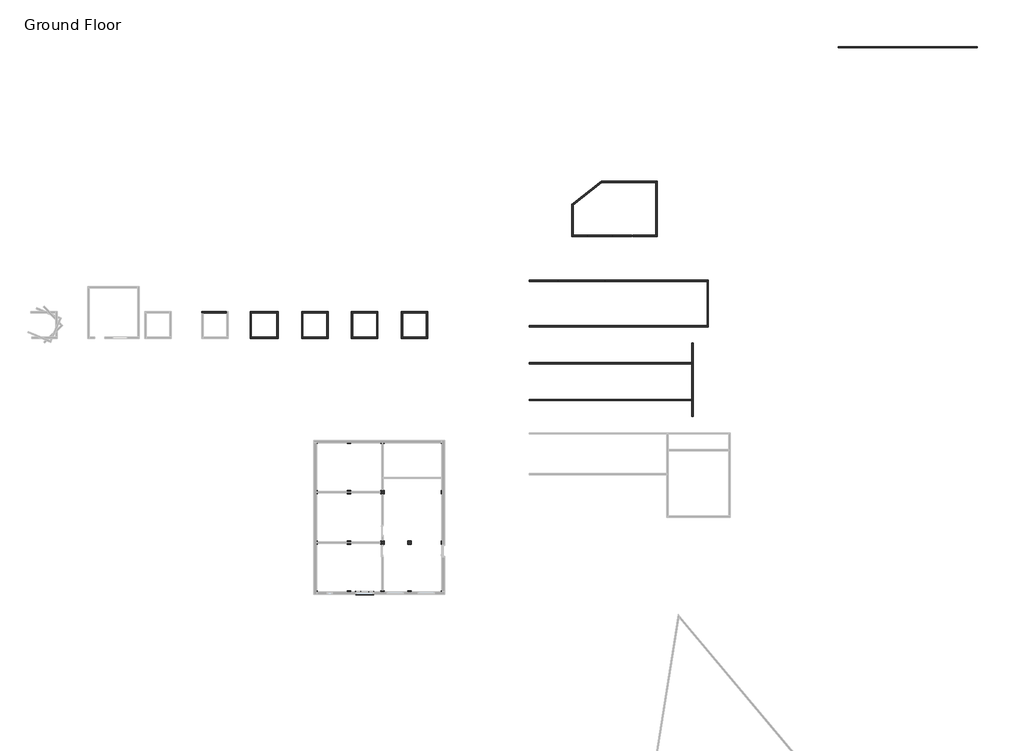
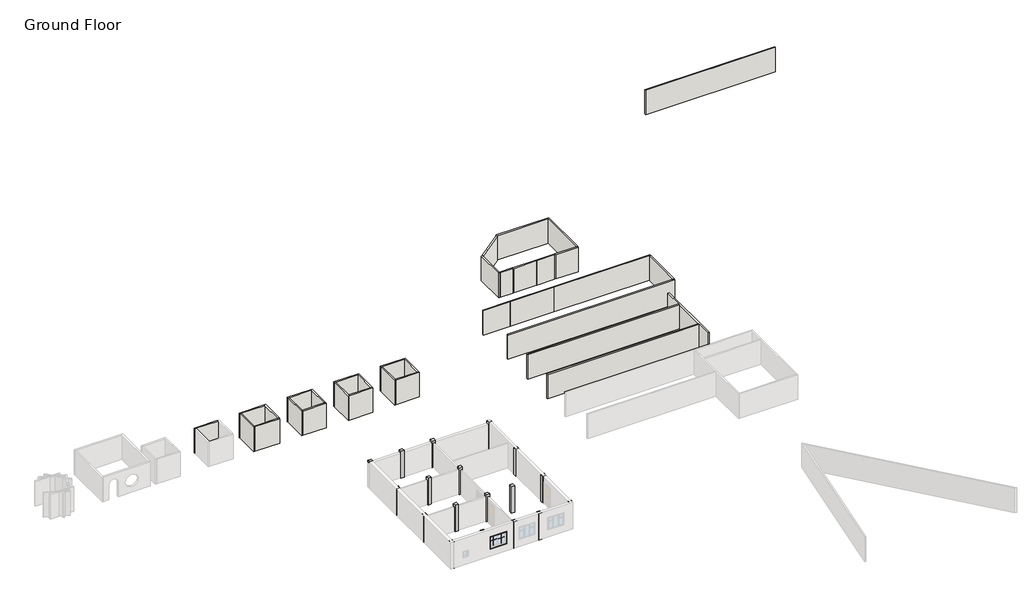
# One storey, part 2 of 2: 34 walls, 18 columns, 4 proxies.
"""IFC4 building model written with IfcOpenShell, lengths in millimetres."""

import ifcopenshell
import ifcopenshell.guid

model = None  # the IFC model being written
_history = None  # IfcOwnerHistory: only IFC2X3 demands one
_inside = {}  # id of a spatial element -> (the spatial element, [elements in it])
_under = {}  # id of a project, library or spatial element -> (it, [spatial elements below it])
_declared = {}  # id of a project -> (the project, [libraries it declares])
_typed = {}  # id of a type object -> (the type object, [elements of that type])
_made_of = {}  # id of a material, layer set ... -> (it, [elements and type objects made of it])


def new_model(schema):
    """Start an empty IFC model of exactly this schema.

    Asked for "IFC4X3", IfcOpenShell would pick the latest addendum, in which some entities
    have other attributes; the version numbers below select the first issue.
    IFC2X3 requires an IfcOwnerHistory on every rooted entity: one is made here for all.
    """
    global model, _history
    if schema == "IFC4X3":
        model = ifcopenshell.file(schema_version=(4, 3, 0, 0))
    else:
        model = ifcopenshell.file(schema=schema)
    _inside.clear()
    _under.clear()
    _declared.clear()
    _typed.clear()
    _made_of.clear()
    _history = None
    if model.schema == "IFC2X3":
        org = make("IfcOrganization", Name="unknown")
        user = make(
            "IfcPersonAndOrganization",
            ThePerson=make("IfcPerson", FamilyName="unknown"),
            TheOrganization=org,
        )
        app = make(
            "IfcApplication",
            ApplicationDeveloper=org,
            Version="unknown",
            ApplicationFullName="unknown",
            ApplicationIdentifier="unknown",
        )
        _history = make(
            "IfcOwnerHistory",
            OwningUser=user,
            OwningApplication=app,
            ChangeAction="ADDED",
            CreationDate=0,
        )
    return model


def make(cls, **values):
    """One entity of the class cls with the attributes given. An attribute that is None is left unset."""
    return model.create_entity(
        cls, **{name: value for name, value in values.items() if value is not None}
    )


def rooted(cls, **values):
    """An entity with a GlobalId (a new one), such as an element, a storey or a relation."""
    return make(cls, GlobalId=ifcopenshell.guid.new(), OwnerHistory=_history, **values)


def si_unit(unit_type, name, prefix=None):
    """IfcSIUnit, for example si_unit("LENGTHUNIT", "METRE", prefix="MILLI")."""
    return make("IfcSIUnit", UnitType=unit_type, Prefix=prefix, Name=name)


def assignment(units):
    """IfcUnitAssignment: the units of a project."""
    return None if units is None else make("IfcUnitAssignment", Units=units)


def point(xyz):
    """IfcCartesianPoint."""
    return None if xyz is None else make("IfcCartesianPoint", Coordinates=xyz)


def direction(xyz):
    """IfcDirection."""
    return None if xyz is None else make("IfcDirection", DirectionRatios=xyz)


def frame(location, z_axis=None, x_axis=None):
    """IfcAxis2Placement3D, a coordinate frame: its origin and axes. An axis left out is left unset."""
    return make(
        "IfcAxis2Placement3D",
        Location=point(location),
        Axis=direction(z_axis),
        RefDirection=direction(x_axis),
    )


def origin():
    """The frame at (0, 0, 0) with its axes left unset."""
    return frame((0.0, 0.0, 0.0))


def origin_with_axes():
    """The frame at (0, 0, 0) with the z axis (0, 0, 1) and the x axis (1, 0, 0) written out."""
    return frame((0.0, 0.0, 0.0), z_axis=(0.0, 0.0, 1.0), x_axis=(1.0, 0.0, 0.0))


def place(relative_to, where):
    """IfcLocalPlacement: puts the frame where relative to a parent placement (None: the world)."""
    return make(
        "IfcLocalPlacement", PlacementRelTo=relative_to, RelativePlacement=where
    )


def context(
    kind, dimensions, precision=None, world=None, true_north=None, identifier=None
):
    """IfcGeometricRepresentationContext, for example the 3D "Model" context."""
    return make(
        "IfcGeometricRepresentationContext",
        ContextIdentifier=identifier,
        ContextType=kind,
        CoordinateSpaceDimension=dimensions,
        Precision=precision,
        WorldCoordinateSystem=world,
        TrueNorth=true_north,
    )


def project(units=None, contexts=None):
    """IfcProject with its units and contexts."""
    return rooted(
        "IfcProject",
        Name="project",
        RepresentationContexts=contexts,
        UnitsInContext=assignment(units),
    )


def spatial(cls, under=None, at=None, **own):
    """A site, building, storey or space (cls), placed at a placement, below another one or the project."""
    s = rooted(cls, ObjectPlacement=at, **own)
    if under is not None:
        _under.setdefault(under.id(), (under, []))[1].append(s)
    return s


def polyline(points):
    """IfcPolyline through the points."""
    return make("IfcPolyline", Points=[point(p) for p in points])


def outline(outer, holes=None, kind="AREA"):
    """IfcArbitraryClosedProfileDef: a profile drawn as a closed curve; with holes, ...WithVoids."""
    if holes is None:
        return make("IfcArbitraryClosedProfileDef", ProfileType=kind, OuterCurve=outer)
    return make(
        "IfcArbitraryProfileDefWithVoids",
        ProfileType=kind,
        OuterCurve=outer,
        InnerCurves=holes,
    )


def extrude(swept, where, along, depth):
    """IfcExtrudedAreaSolid: the profile swept, set in the frame where, extruded along a direction by depth."""
    return make(
        "IfcExtrudedAreaSolid",
        SweptArea=swept,
        Position=where,
        ExtrudedDirection=direction(along),
        Depth=depth,
    )


def faces_of(points, faces, orient=None, outer=None):
    """IfcFace entities. A face is a list of loops; a loop is a list of indices into points, from 0.

    orient and outer hold one flag for each loop. By default every Orientation is true, the
    first loop of a face is its IfcFaceOuterBound and the others are IfcFaceBound.
    """
    made = []
    for i, loops in enumerate(faces):
        bounds = []
        for j, loop in enumerate(loops):
            is_outer = j == 0 if outer is None else outer[i][j]
            bounds.append(
                make(
                    "IfcFaceOuterBound" if is_outer else "IfcFaceBound",
                    Bound=make("IfcPolyLoop", Polygon=[points[k] for k in loop]),
                    Orientation=True if orient is None else orient[i][j],
                )
            )
        made.append(make("IfcFace", Bounds=bounds))
    return made


def faceted_brep(points, faces, orient=None, outer=None, voids=None):
    """IfcFacetedBrep: a solid bounded by flat faces; with voids (closed shells), ...WithVoids."""
    shared = [point(p) for p in points]
    hull = make("IfcClosedShell", CfsFaces=faces_of(shared, faces, orient, outer))
    if voids is None:
        return make("IfcFacetedBrep", Outer=hull)
    return make(
        "IfcFacetedBrepWithVoids",
        Outer=hull,
        Voids=[
            make(cls, CfsFaces=faces_of(shared, fs, o, b)) for cls, fs, o, b in voids
        ],
    )


def shape(context_of_items, identifier, shape_type, items):
    """IfcShapeRepresentation: the items that make up one representation, for example the "Body"."""
    return make(
        "IfcShapeRepresentation",
        ContextOfItems=context_of_items,
        RepresentationIdentifier=identifier,
        RepresentationType=shape_type,
        Items=items,
    )


def source(mapping_origin, context_of_items, identifier, shape_type, items):
    """IfcRepresentationMap: a shape defined once, which mapped items show again and again."""
    return make(
        "IfcRepresentationMap",
        MappingOrigin=mapping_origin,
        MappedRepresentation=shape(context_of_items, identifier, shape_type, items),
    )


def transform(
    local_origin,
    x_axis=None,
    y_axis=None,
    z_axis=None,
    scale=None,
    scale2=None,
    scale3=None,
    uniform=True,
):
    """IfcCartesianTransformationOperator3D, or its non-uniform kind. x_axis, y_axis, z_axis: its Axis1, 2, 3."""
    if uniform:
        return make(
            "IfcCartesianTransformationOperator3D",
            Axis1=direction(x_axis),
            Axis2=direction(y_axis),
            LocalOrigin=point(local_origin),
            Scale=scale,
            Axis3=direction(z_axis),
        )
    return make(
        "IfcCartesianTransformationOperator3DnonUniform",
        Axis1=direction(x_axis),
        Axis2=direction(y_axis),
        LocalOrigin=point(local_origin),
        Scale=scale,
        Axis3=direction(z_axis),
        Scale2=scale2,
        Scale3=scale3,
    )


def mapped(mapping_source, mapping_target):
    """IfcMappedItem: shows the shape of a source again, moved by a transform."""
    return make(
        "IfcMappedItem", MappingSource=mapping_source, MappingTarget=mapping_target
    )


def made_of(thing, what):
    """Note that an element or type object is made of a material, layer set ...; save() writes the relation."""
    if what is not None:
        _made_of.setdefault(what.id(), (what, []))[1].append(thing)
    return thing


def element(
    cls,
    number,
    at=None,
    inside=None,
    cuts=None,
    type_object=None,
    material=None,
    context=None,
    identifier="Body",
    shape_type=None,
    held_by="IfcProductDefinitionShape",
    body=None,
    shapes=None,
    **own,
):
    """One element of the class cls, such as IfcWall. Its Tag is "e" and its number.

    at: its placement. inside: the storey or other place that contains it. cuts: it is an
    opening in that element (IfcRelVoidsElement). A single representation is given by context,
    identifier, shape_type and body (its items); several are given by shapes. held_by: the class
    of the entity that holds the representations. save() writes the other relations.
    """
    e = rooted(cls, Tag="e%d" % number, ObjectPlacement=at, **own)
    if body is not None:
        shapes = [shape(context, identifier, shape_type, body)]
    if shapes is not None:
        e.Representation = make(held_by, Representations=shapes)
    if inside is not None:
        _inside.setdefault(inside.id(), (inside, []))[1].append(e)
    if cuts is not None:
        rooted(
            "IfcRelVoidsElement", RelatingBuildingElement=cuts, RelatedOpeningElement=e
        )
    if type_object is not None:
        _typed.setdefault(type_object.id(), (type_object, []))[1].append(e)
    return made_of(e, material)


def aggregate(whole, parts):
    """IfcRelAggregates: a whole, such as a stair, and the parts it consists of."""
    return rooted("IfcRelAggregates", RelatingObject=whole, RelatedObjects=parts)


def save(model, path):
    """Write the relations noted so far, then the file.

    IfcRelAggregates (storeys below a building ...), IfcRelContainedInSpatialStructure (elements
    in a storey), IfcRelDefinesByType, IfcRelAssociatesMaterial and IfcRelDeclares: one each for
    every whole, place, type object, material and project.
    """
    for whole, parts in _under.values():
        aggregate(whole, parts)
    for where, things in _inside.values():
        rooted(
            "IfcRelContainedInSpatialStructure",
            RelatedElements=things,
            RelatingStructure=where,
        )
    for kind, things in _typed.values():
        rooted("IfcRelDefinesByType", RelatedObjects=things, RelatingType=kind)
    for what, things in _made_of.values():
        rooted("IfcRelAssociatesMaterial", RelatedObjects=things, RelatingMaterial=what)
    for by, libraries in _declared.values():
        rooted("IfcRelDeclares", RelatingContext=by, RelatedDefinitions=libraries)
    model.write(path)


def muntin_pattern_2x2_muntin_pattern_2x2_3179e719(model_context):
    return source(origin(), model_context, "Body", "SweptSolid", [
        extrude(outline(polyline([(542.925, -6.35), (542.925, -338.1375), (530.225, -338.1375), (530.225, -6.35), (0.0, -6.35), (0.0, 6.35), (530.225, 6.35), (530.225, 338.1375), (542.925, 338.1375), (542.925, 6.35), (1073.15, 6.35), (1073.15, -6.35), (542.925, -6.35)])), frame((0.0, 9.525, 0.0), z_axis=(0.0, 1.0, 0.0), x_axis=(0.0, 0.0, 1.0)), (0.0, 0.0, 1.0), 12.7),
        extrude(outline(polyline([(542.925, -6.35), (542.925, -338.1375), (530.225, -338.1375), (530.225, -6.35), (0.0, -6.35), (0.0, 6.35), (530.225, 6.35), (530.225, 338.1375), (542.925, 338.1375), (542.925, 6.35), (1073.15, 6.35), (1073.15, -6.35), (542.925, -6.35)])), frame((0.0, -22.225, 0.0), z_axis=(0.0, 1.0, 0.0), x_axis=(0.0, 0.0, 1.0)), (0.0, 0.0, 1.0), 12.7),
    ])


def trim_window_exterior_flat_with_sill_7631c5ba(model_context):
    return source(origin(), model_context, "Body", "SweptSolid", [
        extrude(outline(polyline([(819.15, -1241.3823709), (819.15, -1298.5323709), (-819.15, -1298.5323709), (-819.15, -1241.3823709), (819.15, -1241.3823709)])), origin_with_axes(), (0.0, 0.0, 1.0), 19.05),
        extrude(outline(polyline([(-1250.95, 38.1), (-1221.6580645, 38.1), (-1219.2, 19.05), (-1219.2, 0.0), (-1241.3823709, 0.0), (-1241.3823709, 19.05), (-1250.95, 19.05), (-1250.95, 38.1)])), frame((-831.85, 0.0, 0.0), z_axis=(1.0, 0.0, 0.0), x_axis=(0.0, 1.0, 0.0)), (0.0, 0.0, 1.0), 1663.7),
        extrude(outline(polyline([(-819.15, 57.15), (819.15, 57.15), (819.15, -1219.2), (762.0, -1219.2), (762.0, 0.0), (-762.0, 0.0), (-762.0, -1219.2), (-819.15, -1219.2), (-819.15, 57.15)])), origin_with_axes(), (0.0, 0.0, 1.0), 19.05),
    ])


def trim_window_interior_flat_picture_frame_0f2e31f9(model_context):
    return source(origin(), model_context, "Body", "SweptSolid", [
        extrude(outline(polyline([(806.45, 44.45), (806.45, -1263.65), (-806.45, -1263.65), (-806.45, 44.45), (806.45, 44.45)]), holes=[polyline([(749.3, -12.7), (-749.3, -12.7), (-749.3, -1206.5), (749.3, -1206.5), (749.3, -12.7)])]), origin_with_axes(), (0.0, 0.0, 1.0), 31.75),
    ])


model = new_model("IFC4")

# Units and contexts
model_context = context("Model", 3, world=origin())
ifc_project = project(units=[si_unit("LENGTHUNIT", "METRE", prefix="MILLI")], contexts=[model_context])

# Site, building, storey
site = spatial("IfcSite", under=ifc_project)
building = spatial("IfcBuilding", under=site)
storey = spatial("IfcBuildingStorey", under=building, Name="Ground Floor", Elevation=0.0)

# Proxies
placement = place(None, origin())
muntin_pattern_2x2_muntin_pattern_2x2_shape = muntin_pattern_2x2_muntin_pattern_2x2_3179e719(model_context)
element("IfcBuildingElementProxy", 1, Name="Muntin Pattern_2x2 : Muntin Pattern_2x2", ObjectType="Muntin Pattern_2x2 : Muntin Pattern_2x2", at=placement, inside=storey, context=model_context, shape_type="MappedRepresentation", body=[
    mapped(muntin_pattern_2x2_muntin_pattern_2x2_shape, transform((7840.5034002, -15143.9864294, 844.55), x_axis=(1.0, 0.0, 0.0), y_axis=(0.0, 1.0, 0.0), z_axis=(0.0, 0.0, 1.0))),
])
element("IfcBuildingElementProxy", 2, Name="Muntin Pattern_2x2 : Muntin Pattern_2x2", ObjectType="Muntin Pattern_2x2 : Muntin Pattern_2x2", at=placement, inside=storey, context=model_context, shape_type="MappedRepresentation", body=[
    mapped(muntin_pattern_2x2_muntin_pattern_2x2_shape, transform((7119.7784002, -15099.5364294, 844.55), x_axis=(1.0, 0.0, 0.0), y_axis=(0.0, 1.0, 0.0), z_axis=(0.0, 0.0, 1.0))),
])
trim_window_exterior_flat_with_sill_shape = trim_window_exterior_flat_with_sill_7631c5ba(model_context)
element("IfcBuildingElementProxy", 3, Name="Trim-Window-Exterior-Flat : with Sill", ObjectType="Trim-Window-Exterior-Flat : with Sill", at=placement, inside=storey, context=model_context, shape_type="MappedRepresentation", body=[
    mapped(trim_window_exterior_flat_with_sill_shape, transform((7480.1409002, -15090.0114294, 1981.2), x_axis=(-1.0, 0.0, 0.0), y_axis=(0.0, 0.0, 1.0), z_axis=(0.0, 1.0, 0.0))),
])
trim_window_interior_flat_picture_frame_shape = trim_window_interior_flat_picture_frame_0f2e31f9(model_context)
element("IfcBuildingElementProxy", 4, Name="Trim-Window-Interior-Flat : Picture Frame", ObjectType="Trim-Window-Interior-Flat : Picture Frame", at=placement, inside=storey, context=model_context, shape_type="MappedRepresentation", body=[
    mapped(trim_window_interior_flat_picture_frame_shape, transform((7480.1409002, -15344.0114294, 1981.2), x_axis=(1.0, 0.0, 0.0), y_axis=(0.0, 0.0, 1.0), z_axis=(0.0, -1.0, 0.0))),
])

# Columns
element("IfcColumn", 5, ObjectType="Concrete-Rectangular-Column", at=placement, inside=storey, context=model_context, shape_type="Brep", body=[
    faceted_brep([(3162.1409002, -15039.2114294, 0.0), (3162.1409002, -15344.0114294, 0.0), (2857.3409002, -15344.0114294, 0.0), (2857.3409002, -15039.2114294, 0.0), (3162.1409002, -15039.2114294, 2743.2), (3162.1409002, -15344.0114294, 2743.2), (3162.1409002, -15344.0114294, 2514.6), (3162.1409002, -15039.2114294, 2514.6), (2857.3409002, -15344.0114294, 2743.2), (2857.3409002, -15039.2114294, 2743.2), (2857.3409002, -15039.2114294, 2514.6)], [[[0, 1, 2, 3]], [[4, 5, 6, 1, 0, 7]], [[5, 8, 2, 1, 6]], [[8, 9, 10, 3, 2]], [[9, 4, 7, 0, 3, 10]], [[4, 9, 8, 5]]]),
])
element("IfcColumn", 6, ObjectType="Concrete-Rectangular-Column", at=placement, inside=storey, context=model_context, shape_type="Brep", body=[
    faceted_brep([(9258.1409002, -15039.2114294, 0.0), (9258.1409002, -15344.0114294, 0.0), (8953.3409002, -15344.0114294, 0.0), (8953.3409002, -15039.2114294, 0.0), (9258.1409002, -15039.2114294, 2743.2), (9258.1409002, -15344.0114294, 2743.2), (9258.1409002, -15344.0114294, 2514.6), (9258.1409002, -15039.2114294, 2514.6), (8953.3409002, -15344.0114294, 2743.2), (8953.3409002, -15344.0114294, 2514.6), (8953.3409002, -15039.2114294, 2743.2), (8953.3409002, -15039.2114294, 2514.6)], [[[0, 1, 2, 3]], [[4, 5, 6, 1, 0, 7]], [[5, 8, 9, 2, 1, 6]], [[8, 10, 11, 3, 2, 9]], [[10, 4, 7, 0, 3, 11]], [[4, 10, 8, 5]]]),
])
element("IfcColumn", 7, ObjectType="Concrete-Rectangular-Column", at=placement, inside=storey, context=model_context, shape_type="Brep", body=[
    faceted_brep([(11696.5409002, -15039.2114294, 0.0), (11696.5409002, -15344.0114294, 0.0), (11391.7409002, -15344.0114294, 0.0), (11391.7409002, -15039.2114294, 0.0), (11696.5409002, -15039.2114294, 2743.2), (11696.5409002, -15344.0114294, 2743.2), (11696.5409002, -15344.0114294, 2514.6), (11696.5409002, -15039.2114294, 2514.6), (11391.7409002, -15344.0114294, 2743.2), (11391.7409002, -15344.0114294, 2514.6), (11391.7409002, -15039.2114294, 2743.2), (11391.7409002, -15039.2114294, 2514.6)], [[[0, 1, 2, 3]], [[4, 5, 6, 1, 0, 7]], [[5, 8, 9, 2, 1, 6]], [[8, 10, 11, 3, 2, 9]], [[10, 4, 7, 0, 3, 11]], [[4, 10, 8, 5]]]),
])
element("IfcColumn", 8, ObjectType="Concrete-Rectangular-Column", at=placement, inside=storey, context=model_context, shape_type="Brep", body=[
    faceted_brep([(14744.5409002, -15039.2114294, 0.0), (14744.5409002, -15344.0114294, 0.0), (14439.7409002, -15344.0114294, 0.0), (14439.7409002, -15039.2114294, 0.0), (14744.5409002, -15039.2114294, 2743.2), (14744.5409002, -15344.0114294, 2743.2), (14744.5409002, -15039.2114294, 2514.6), (14439.7409002, -15344.0114294, 2743.2), (14439.7409002, -15344.0114294, 2514.6), (14439.7409002, -15039.2114294, 2743.2), (14439.7409002, -15039.2114294, 2514.6)], [[[0, 1, 2, 3]], [[4, 5, 1, 0, 6]], [[5, 7, 8, 2, 1]], [[7, 9, 10, 3, 2, 8]], [[9, 4, 6, 0, 3, 10]], [[4, 9, 7, 5]]]),
])
element("IfcColumn", 9, ObjectType="Concrete-Rectangular-Column", at=placement, inside=storey, context=model_context, shape_type="Brep", body=[
    faceted_brep([(6210.1409002, -15039.2114294, 0.0), (6210.1409002, -15344.0114294, 0.0), (5905.3409002, -15344.0114294, 0.0), (5905.3409002, -15039.2114294, 0.0), (6210.1409002, -15039.2114294, 2743.2), (6210.1409002, -15344.0114294, 2743.2), (6210.1409002, -15344.0114294, 2514.6), (6210.1409002, -15039.2114294, 2514.6), (5905.3409002, -15344.0114294, 2743.2), (5905.3409002, -15344.0114294, 2514.6), (5905.3409002, -15039.2114294, 2743.2), (5905.3409002, -15039.2114294, 2514.6)], [[[0, 1, 2, 3]], [[4, 5, 6, 1, 0, 7]], [[5, 8, 9, 2, 1, 6]], [[8, 10, 11, 3, 2, 9]], [[10, 4, 7, 0, 3, 11]], [[4, 10, 8, 5]]]),
])
element("IfcColumn", 10, ObjectType="Concrete-Rectangular-Column", at=placement, inside=storey, context=model_context, shape_type="Brep", body=[
    faceted_brep([(3162.1409002, -10467.2114294, 0.0), (3162.1409002, -10772.0114294, 0.0), (2857.3409002, -10772.0114294, 0.0), (2857.3409002, -10467.2114294, 0.0), (3162.1409002, -10467.2114294, 2743.2), (3162.1409002, -10772.0114294, 2743.2), (3162.1409002, -10772.0114294, 2514.6), (3162.1409002, -10467.2114294, 2514.6), (2857.3409002, -10772.0114294, 2743.2), (2857.3409002, -10772.0114294, 2514.6), (2857.3409002, -10467.2114294, 2743.2), (2857.3409002, -10467.2114294, 2514.6)], [[[0, 1, 2, 3]], [[4, 5, 6, 1, 0, 7]], [[5, 8, 9, 2, 1, 6]], [[8, 10, 11, 3, 2, 9]], [[10, 4, 7, 0, 3, 11]], [[4, 10, 8, 5]]]),
])
element("IfcColumn", 11, ObjectType="Concrete-Rectangular-Column", at=placement, inside=storey, context=model_context, shape_type="Brep", body=[
    faceted_brep([(9258.1409002, -10467.2114294, 0.0), (9258.1409002, -10772.0114294, 0.0), (8953.3409002, -10772.0114294, 0.0), (8953.3409002, -10467.2114294, 0.0), (9258.1409002, -10467.2114294, 2743.2), (9258.1409002, -10772.0114294, 2743.2), (9258.1409002, -10772.0114294, 2514.6), (9258.1409002, -10467.2114294, 2514.6), (8953.3409002, -10772.0114294, 2743.2), (8953.3409002, -10772.0114294, 2514.6), (8953.3409002, -10467.2114294, 2743.2), (8953.3409002, -10467.2114294, 2514.6)], [[[0, 1, 2, 3]], [[4, 5, 6, 1, 0, 7]], [[5, 8, 9, 2, 1, 6]], [[8, 10, 11, 3, 2, 9]], [[10, 4, 7, 0, 3, 11]], [[4, 10, 8, 5]]]),
])
element("IfcColumn", 12, ObjectType="Concrete-Rectangular-Column", at=placement, inside=storey, context=model_context, shape_type="Brep", body=[
    faceted_brep([(11696.5409002, -10467.2114294, 0.0), (11696.5409002, -10772.0114294, 0.0), (11391.7409002, -10772.0114294, 0.0), (11391.7409002, -10467.2114294, 0.0), (11696.5409002, -10467.2114294, 2743.2), (11696.5409002, -10772.0114294, 2743.2), (11696.5409002, -10772.0114294, 2514.6), (11696.5409002, -10467.2114294, 2514.6), (11391.7409002, -10772.0114294, 2743.2), (11391.7409002, -10772.0114294, 2514.6), (11391.7409002, -10467.2114294, 2743.2), (11391.7409002, -10467.2114294, 2514.6)], [[[0, 1, 2, 3]], [[4, 5, 6, 1, 0, 7]], [[5, 8, 9, 2, 1, 6]], [[8, 10, 11, 3, 2, 9]], [[10, 4, 7, 0, 3, 11]], [[4, 10, 8, 5]]]),
])
element("IfcColumn", 13, ObjectType="Concrete-Rectangular-Column", at=placement, inside=storey, context=model_context, shape_type="Brep", body=[
    faceted_brep([(14744.5409002, -10467.2114294, 0.0), (14744.5409002, -10772.0114294, 0.0), (14439.7409002, -10772.0114294, 0.0), (14439.7409002, -10467.2114294, 0.0), (14744.5409002, -10467.2114294, 2743.2), (14744.5409002, -10772.0114294, 2743.2), (14744.5409002, -10772.0114294, 2514.6), (14744.5409002, -10467.2114294, 2514.6), (14439.7409002, -10772.0114294, 2743.2), (14439.7409002, -10772.0114294, 2514.6), (14439.7409002, -10467.2114294, 2743.2), (14439.7409002, -10467.2114294, 2514.6)], [[[0, 1, 2, 3]], [[4, 5, 6, 1, 0, 7]], [[5, 8, 9, 2, 1, 6]], [[8, 10, 11, 3, 2, 9]], [[10, 4, 7, 0, 3, 11]], [[4, 10, 8, 5]]]),
])
element("IfcColumn", 14, ObjectType="Concrete-Rectangular-Column", at=placement, inside=storey, context=model_context, shape_type="Brep", body=[
    faceted_brep([(6210.1409002, -10467.2114294, 0.0), (6210.1409002, -10772.0114294, 0.0), (5905.3409002, -10772.0114294, 0.0), (5905.3409002, -10467.2114294, 0.0), (6210.1409002, -10467.2114294, 2743.2), (6210.1409002, -10772.0114294, 2743.2), (6210.1409002, -10772.0114294, 2514.6), (6210.1409002, -10467.2114294, 2514.6), (5905.3409002, -10772.0114294, 2743.2), (5905.3409002, -10772.0114294, 2514.6), (5905.3409002, -10467.2114294, 2743.2), (5905.3409002, -10467.2114294, 2514.6)], [[[0, 1, 2, 3]], [[4, 5, 6, 1, 0, 7]], [[5, 8, 9, 2, 1, 6]], [[8, 10, 11, 3, 2, 9]], [[10, 4, 7, 0, 3, 11]], [[4, 10, 8, 5]]]),
])
element("IfcColumn", 15, ObjectType="Concrete-Rectangular-Column", at=placement, inside=storey, context=model_context, shape_type="Brep", body=[
    faceted_brep([(3162.1409002, -5895.2114294, 0.0), (3162.1409002, -6200.0114294, 0.0), (2857.3409002, -6200.0114294, 0.0), (2857.3409002, -5895.2114294, 0.0), (3162.1409002, -5895.2114294, 2743.2), (3162.1409002, -6200.0114294, 2743.2), (3162.1409002, -6200.0114294, 2514.6), (3162.1409002, -5895.2114294, 2514.6), (2857.3409002, -6200.0114294, 2743.2), (2857.3409002, -6200.0114294, 2514.6), (2857.3409002, -5895.2114294, 2743.2), (2857.3409002, -5895.2114294, 2514.6)], [[[0, 1, 2, 3]], [[4, 5, 6, 1, 0, 7]], [[5, 8, 9, 2, 1, 6]], [[8, 10, 11, 3, 2, 9]], [[10, 4, 7, 0, 3, 11]], [[4, 10, 8, 5]]]),
])
element("IfcColumn", 16, ObjectType="Concrete-Rectangular-Column", at=placement, inside=storey, context=model_context, shape_type="Brep", body=[
    faceted_brep([(9258.1409002, -5895.2114294, 0.0), (9258.1409002, -6200.0114294, 0.0), (8953.3409002, -6200.0114294, 0.0), (8953.3409002, -5895.2114294, 0.0), (9258.1409002, -5895.2114294, 2743.2), (9258.1409002, -6200.0114294, 2743.2), (9258.1409002, -6200.0114294, 2514.6), (9258.1409002, -5895.2114294, 2514.6), (8953.3409002, -6200.0114294, 2743.2), (8953.3409002, -6200.0114294, 2514.6), (8953.3409002, -5895.2114294, 2743.2), (8953.3409002, -5895.2114294, 2514.6)], [[[0, 1, 2, 3]], [[4, 5, 6, 1, 0, 7]], [[5, 8, 9, 2, 1, 6]], [[8, 10, 11, 3, 2, 9]], [[10, 4, 7, 0, 3, 11]], [[4, 10, 8, 5]]]),
])
element("IfcColumn", 17, ObjectType="Concrete-Rectangular-Column", at=placement, inside=storey, context=model_context, shape_type="Brep", body=[
    faceted_brep([(14744.5409002, -5895.2114294, 0.0), (14744.5409002, -6200.0114294, 0.0), (14439.7409002, -6200.0114294, 0.0), (14439.7409002, -5895.2114294, 0.0), (14744.5409002, -5895.2114294, 2743.2), (14744.5409002, -6200.0114294, 2743.2), (14744.5409002, -6200.0114294, 2514.6), (14744.5409002, -5895.2114294, 2514.6), (14439.7409002, -6200.0114294, 2743.2), (14439.7409002, -6200.0114294, 2514.6), (14439.7409002, -5895.2114294, 2743.2), (14439.7409002, -5895.2114294, 2514.6)], [[[0, 1, 2, 3]], [[4, 5, 6, 1, 0, 7]], [[5, 8, 9, 2, 1, 6]], [[8, 10, 11, 3, 2, 9]], [[10, 4, 7, 0, 3, 11]], [[4, 10, 8, 5]]]),
])
element("IfcColumn", 18, ObjectType="Concrete-Rectangular-Column", at=placement, inside=storey, context=model_context, shape_type="Brep", body=[
    faceted_brep([(6210.1409002, -5895.2114294, 0.0), (6210.1409002, -6200.0114294, 0.0), (5905.3409002, -6200.0114294, 0.0), (5905.3409002, -5895.2114294, 0.0), (6210.1409002, -5895.2114294, 2743.2), (6210.1409002, -6200.0114294, 2743.2), (6210.1409002, -6200.0114294, 2514.6), (6210.1409002, -5895.2114294, 2514.6), (5905.3409002, -6200.0114294, 2743.2), (5905.3409002, -6200.0114294, 2514.6), (5905.3409002, -5895.2114294, 2743.2), (5905.3409002, -5895.2114294, 2514.6)], [[[0, 1, 2, 3]], [[4, 5, 6, 1, 0, 7]], [[5, 8, 9, 2, 1, 6]], [[8, 10, 11, 3, 2, 9]], [[10, 4, 7, 0, 3, 11]], [[4, 10, 8, 5]]]),
])
element("IfcColumn", 19, ObjectType="Concrete-Rectangular-Column", at=placement, inside=storey, context=model_context, shape_type="Brep", body=[
    faceted_brep([(3162.1409002, -1323.2114294, 0.0), (3162.1409002, -1628.0114294, 0.0), (2857.3409002, -1628.0114294, 0.0), (2857.3409002, -1323.2114294, 0.0), (3162.1409002, -1323.2114294, 2743.2), (3162.1409002, -1628.0114294, 2743.2), (3162.1409002, -1628.0114294, 2514.6), (3162.1409002, -1323.2114294, 2514.6), (2857.3409002, -1628.0114294, 2743.2), (2857.3409002, -1628.0114294, 2514.6), (2857.3409002, -1323.2114294, 2743.2)], [[[0, 1, 2, 3]], [[4, 5, 6, 1, 0, 7]], [[5, 8, 9, 2, 1, 6]], [[8, 10, 3, 2, 9]], [[10, 4, 7, 0, 3]], [[4, 10, 8, 5]]]),
])
element("IfcColumn", 20, ObjectType="Concrete-Rectangular-Column", at=placement, inside=storey, context=model_context, shape_type="Brep", body=[
    faceted_brep([(9258.1409002, -1323.2114294, 0.0), (9258.1409002, -1628.0114294, 0.0), (8953.3409002, -1628.0114294, 0.0), (8953.3409002, -1323.2114294, 0.0), (9258.1409002, -1323.2114294, 2743.2), (9258.1409002, -1628.0114294, 2743.2), (9258.1409002, -1628.0114294, 2514.6), (9258.1409002, -1323.2114294, 2514.6), (8953.3409002, -1628.0114294, 2743.2), (8953.3409002, -1628.0114294, 2514.6), (8953.3409002, -1323.2114294, 2743.2), (8953.3409002, -1323.2114294, 2514.6)], [[[0, 1, 2, 3]], [[4, 5, 6, 1, 0, 7]], [[5, 8, 9, 2, 1, 6]], [[8, 10, 11, 3, 2, 9]], [[10, 4, 7, 0, 3, 11]], [[4, 10, 8, 5]]]),
])
element("IfcColumn", 21, ObjectType="Concrete-Rectangular-Column", at=placement, inside=storey, context=model_context, shape_type="Brep", body=[
    faceted_brep([(14744.5409002, -1323.2114294, 0.0), (14744.5409002, -1628.0114294, 0.0), (14439.7409002, -1628.0114294, 0.0), (14439.7409002, -1323.2114294, 0.0), (14744.5409002, -1323.2114294, 2743.2), (14744.5409002, -1628.0114294, 2743.2), (14744.5409002, -1628.0114294, 2514.6), (14439.7409002, -1628.0114294, 2743.2), (14439.7409002, -1628.0114294, 2514.6), (14439.7409002, -1323.2114294, 2743.2), (14439.7409002, -1323.2114294, 2514.6)], [[[0, 1, 2, 3]], [[4, 5, 6, 1, 0]], [[5, 7, 8, 2, 1, 6]], [[7, 9, 10, 3, 2, 8]], [[9, 4, 0, 3, 10]], [[4, 9, 7, 5]]]),
])
element("IfcColumn", 22, ObjectType="Concrete-Rectangular-Column", at=placement, inside=storey, context=model_context, shape_type="Brep", body=[
    faceted_brep([(6210.1409002, -1323.2114294, 0.0), (6210.1409002, -1628.0114294, 0.0), (5905.3409002, -1628.0114294, 0.0), (5905.3409002, -1323.2114294, 0.0), (6210.1409002, -1323.2114294, 2743.2), (6210.1409002, -1628.0114294, 2743.2), (6210.1409002, -1628.0114294, 2514.6), (6210.1409002, -1323.2114294, 2514.6), (5905.3409002, -1628.0114294, 2743.2), (5905.3409002, -1628.0114294, 2514.6), (5905.3409002, -1323.2114294, 2743.2), (5905.3409002, -1323.2114294, 2514.6)], [[[0, 1, 2, 3]], [[4, 5, 6, 1, 0, 7]], [[5, 8, 9, 2, 1, 6]], [[8, 10, 11, 3, 2, 9]], [[10, 4, 7, 0, 3, 11]], [[4, 10, 8, 5]]]),
])

# Walls
element("IfcWall", 23, ObjectType="5\" Wall", at=placement, inside=storey, context=model_context, shape_type="SweptSolid", body=[
    extrude(outline(polyline([(37209.04195, 2275.0306758), (22442.3311774, 2275.0306758), (22442.3311774, 2402.0306758), (37209.04195, 2402.0306758), (37209.04195, 2275.0306758)])), origin_with_axes(), (0.0, 0.0, 1.0), 2514.6),
])
element("IfcWall", 24, ObjectType="5\" Wall", at=placement, inside=storey, context=model_context, shape_type="SweptSolid", body=[
    extrude(outline(polyline([(37209.04195, 5627.8306758), (22442.3311774, 5627.8306758), (22442.3311774, 5754.8306758), (37209.04195, 5754.8306758), (37209.04195, 5627.8306758)])), origin_with_axes(), (0.0, 0.0, 1.0), 2514.6),
])
element("IfcWall", 25, ObjectType="5\" Wall", at=placement, inside=storey, context=model_context, shape_type="Brep", body=[
    faceted_brep([(22442.3311774, 8980.6306758, 0.0), (38722.3572174, 8980.6306758, 0.0), (38722.3572174, 8980.6306758, 2514.6), (22442.3311774, 8980.6306758, 2514.6), (22442.3311774, 9107.6306758, 0.0), (22442.3311774, 9107.6306758, 2514.6), (38595.3572174, 9107.6306758, 2514.6), (38722.3572174, 9107.6306758, 2514.6), (38722.3572174, 9107.6306758, 0.0), (38595.3572174, 9107.6306758, 0.0)], [[[0, 1, 2, 3]], [[4, 5, 6, 7, 8, 9]], [[1, 0, 4, 9, 8]], [[3, 2, 7, 6, 5]], [[0, 3, 5, 4]], [[2, 1, 8, 7]]]),
])
element("IfcWall", 26, ObjectType="5\" Wall", at=placement, inside=storey, context=model_context, shape_type="SweptSolid", body=[
    extrude(outline(polyline([(25033.1311774, 13095.4306758), (22442.3311774, 13095.4306758), (22442.3311774, 13222.4306758), (25033.1311774, 13222.4306758), (25033.1311774, 13095.4306758)])), origin_with_axes(), (0.0, 0.0, 1.0), 2514.6),
])
element("IfcWall", 27, ObjectType="5\" Wall", at=placement, inside=storey, context=model_context, shape_type="SweptSolid", body=[
    extrude(outline(polyline([(50509.180573, 34472.1989182), (63158.380573, 34472.1989182), (63158.380573, 34345.1989182), (50509.180573, 34345.1989182), (50509.180573, 34472.1989182)])), origin_with_axes(), (0.0, 0.0, 1.0), 2514.6),
])
element("IfcWall", 28, ObjectType="5\" Wall", at=placement, inside=storey, context=model_context, shape_type="SweptSolid", body=[
    extrude(outline(polyline([(38595.3572174, 9107.6306758), (38595.3572174, 13095.4306758), (38722.3572174, 13095.4306758), (38722.3572174, 9107.6306758), (38595.3572174, 9107.6306758)])), origin_with_axes(), (0.0, 0.0, 1.0), 2514.6),
])
element("IfcWall", 29, ObjectType="5\" Wall", at=placement, inside=storey, context=model_context, shape_type="SweptSolid", body=[
    extrude(outline(polyline([(29300.3311774, 13095.4306758), (25033.1311774, 13095.4306758), (25033.1311774, 13222.4306758), (29300.3311774, 13222.4306758), (29300.3311774, 13095.4306758)])), origin_with_axes(), (0.0, 0.0, 1.0), 2514.6),
])
element("IfcWall", 30, ObjectType="5\" Wall", at=placement, inside=storey, context=model_context, shape_type="Brep", body=[
    faceted_brep([(29300.3311774, 13095.4306758, 0.0), (38595.3572174, 13095.4306758, 0.0), (38722.3572174, 13095.4306758, 0.0), (38722.3572174, 13095.4306758, 2514.6), (38595.3572174, 13095.4306758, 2514.6), (29300.3311774, 13095.4306758, 2514.6), (29300.3311774, 13222.4306758, 0.0), (29300.3311774, 13222.4306758, 2514.6), (38722.3572174, 13222.4306758, 2514.6), (38722.3572174, 13222.4306758, 0.0)], [[[0, 1, 2, 3, 4, 5]], [[6, 7, 8, 9]], [[2, 1, 0, 6, 9]], [[5, 4, 3, 8, 7]], [[0, 5, 7, 6]], [[3, 2, 9, 8]]]),
])
element("IfcWall", 31, ObjectType="5\" Wall", at=placement, inside=storey, context=model_context, shape_type="Brep", body=[
    faceted_brep([(28805.3361297, 22086.8764096, 0.0), (29011.6183239, 22086.8764096, 0.0), (33929.1568651, 22086.8764096, 0.0), (33929.1568651, 22086.8764096, 2514.6), (29011.6183239, 22086.8764096, 2514.6), (28805.3361297, 22086.8764096, 2514.6), (28967.888717, 22213.8764096, 0.0), (28967.888717, 22213.8764096, 2514.6), (33929.1568651, 22213.8764096, 2514.6), (33929.1568651, 22213.8764096, 0.0)], [[[0, 1, 2, 3, 4, 5]], [[6, 7, 8, 9]], [[2, 1, 0, 6, 9]], [[5, 4, 3, 8, 7]], [[3, 2, 9, 8]], [[0, 5, 7, 6]]]),
])
element("IfcWall", 32, ObjectType="5\" Wall", at=placement, inside=storey, context=model_context, shape_type="Brep", body=[
    faceted_brep([(26436.1568651, 17210.0764096, 0.0), (26436.1568651, 17337.0764096, 0.0), (26436.1568651, 20074.7053902, 0.0), (26436.1568651, 20235.8707035, 0.0), (26436.1568651, 20235.8707035, 2514.6), (26436.1568651, 20074.7053902, 2514.6), (26436.1568651, 17337.0764096, 2514.6), (26436.1568651, 17210.0764096, 2514.6), (26309.1568651, 17210.0764096, 0.0), (26309.1568651, 17210.0764096, 2514.6), (26309.1568651, 20136.647429, 2514.6), (26309.1568651, 20136.647429, 0.0)], [[[0, 1, 2, 3, 4, 5, 6, 7]], [[8, 9, 10, 11]], [[3, 2, 1, 0, 8, 11]], [[7, 6, 5, 4, 10, 9]], [[0, 7, 9, 8]], [[4, 3, 11, 10]]]),
])
element("IfcWall", 33, ObjectType="5\" Wall", at=placement, inside=storey, context=model_context, shape_type="Brep", body=[
    faceted_brep([(34056.1568651, 17337.0764096, 0.0), (33929.1568651, 17337.0764096, 0.0), (31859.0568651, 17337.0764096, 0.0), (31859.0568651, 17337.0764096, 2514.6), (33929.1568651, 17337.0764096, 2514.6), (34056.1568651, 17337.0764096, 2514.6), (34056.1568651, 17210.0764096, 0.0), (34056.1568651, 17210.0764096, 2514.6), (31859.0568651, 17210.0764096, 2514.6), (31859.0568651, 17210.0764096, 0.0)], [[[0, 1, 2, 3, 4, 5]], [[6, 7, 8, 9]], [[2, 1, 0, 6, 9]], [[3, 2, 9, 8]], [[5, 4, 3, 8, 7]], [[0, 5, 7, 6]]]),
])
element("IfcWall", 34, ObjectType="5\" Wall", at=placement, inside=storey, context=model_context, shape_type="Brep", body=[
    faceted_brep([(33929.1568651, 22213.8764096, 0.0), (33929.1568651, 22086.8764096, 0.0), (33929.1568651, 17337.0764096, 0.0), (33929.1568651, 17337.0764096, 2514.6), (33929.1568651, 22086.8764096, 2514.6), (33929.1568651, 22213.8764096, 2514.6), (34056.1568651, 22213.8764096, 0.0), (34056.1568651, 22213.8764096, 2514.6), (34056.1568651, 17337.0764096, 2514.6), (34056.1568651, 17337.0764096, 0.0)], [[[0, 1, 2, 3, 4, 5]], [[6, 7, 8, 9]], [[2, 1, 0, 6, 9]], [[5, 4, 3, 8, 7]], [[0, 5, 7, 6]], [[3, 2, 9, 8]]]),
])
element("IfcWall", 35, ObjectType="5\" Wall", at=placement, inside=storey, context=model_context, shape_type="SweptSolid", body=[
    extrude(outline(polyline([(29011.6183239, 22086.8764096), (26436.1568651, 20074.7053902), (26436.1568651, 20235.8707035), (28805.3361297, 22086.8764096), (29011.6183239, 22086.8764096)])), origin_with_axes(), (0.0, 0.0, 1.0), 2514.6),
])
element("IfcWall", 36, ObjectType="5\" Wall", at=placement, inside=storey, context=model_context, shape_type="SweptSolid", body=[
    extrude(outline(polyline([(26436.1568651, 17337.0764096), (27693.4568651, 17337.0764096), (27693.4568651, 17210.0764096), (26436.1568651, 17210.0764096), (26436.1568651, 17337.0764096)])), origin_with_axes(), (0.0, 0.0, 1.0), 2514.6),
])
element("IfcWall", 37, ObjectType="5\" Wall", at=placement, inside=storey, context=model_context, shape_type="SweptSolid", body=[
    extrude(outline(polyline([(27756.9568651, 17337.0764096), (29979.4568651, 17337.0764096), (29979.4568651, 17210.0764096), (27756.9568651, 17210.0764096), (27756.9568651, 17337.0764096)])), origin_with_axes(), (0.0, 0.0, 1.0), 2514.6),
])
element("IfcWall", 38, ObjectType="5\" Wall", at=placement, inside=storey, context=model_context, shape_type="SweptSolid", body=[
    extrude(outline(polyline([(29992.1568651, 17337.0764096), (31732.0568651, 17337.0764096), (31732.0568651, 17210.0764096), (29992.1568651, 17210.0764096), (29992.1568651, 17337.0764096)])), origin_with_axes(), (0.0, 0.0, 1.0), 2514.6),
])
element("IfcWall", 39, ObjectType="5\" Wall", at=placement, inside=storey, context=model_context, shape_type="Brep", body=[
    faceted_brep([(-7322.4584832, 10228.244462, 0.0), (-7195.4584832, 10228.244462, 0.0), (-5036.4584832, 10228.244462, 0.0), (-5036.4584832, 10228.244462, 2514.6), (-7195.4584832, 10228.244462, 2514.6), (-7322.4584832, 10228.244462, 2514.6), (-7322.4584832, 10355.244462, 0.0), (-7322.4584832, 10355.244462, 2514.6), (-5036.4584832, 10355.244462, 2514.6), (-5036.4584832, 10355.244462, 0.0)], [[[0, 1, 2, 3, 4, 5]], [[6, 7, 8, 9]], [[2, 1, 0, 6, 9]], [[5, 4, 3, 8, 7]], [[0, 5, 7, 6]], [[3, 2, 9, 8]]]),
])
element("IfcWall", 40, ObjectType="5\" Wall", at=placement, inside=storey, context=model_context, shape_type="Brep", body=[
    faceted_brep([(10813.1415168, 10228.244462, 0.0), (10940.1415168, 10228.244462, 0.0), (13099.1415168, 10228.244462, 0.0), (13099.1415168, 10228.244462, 2514.6), (10940.1415168, 10228.244462, 2514.6), (10813.1415168, 10228.244462, 2514.6), (10813.1415168, 10355.244462, 0.0), (10813.1415168, 10355.244462, 2514.6), (13099.1415168, 10355.244462, 2514.6), (13099.1415168, 10355.244462, 0.0)], [[[0, 1, 2, 3, 4, 5]], [[6, 7, 8, 9]], [[2, 1, 0, 6, 9]], [[5, 4, 3, 8, 7]], [[0, 5, 7, 6]], [[3, 2, 9, 8]]]),
])
element("IfcWall", 41, ObjectType="5\" Wall", at=placement, inside=storey, context=model_context, shape_type="Brep", body=[
    faceted_brep([(10940.1415168, 7942.244462, 0.0), (10940.1415168, 8069.244462, 0.0), (10940.1415168, 10228.244462, 0.0), (10940.1415168, 10228.244462, 2514.6), (10940.1415168, 8069.244462, 2514.6), (10940.1415168, 7942.244462, 2514.6), (10813.1415168, 7942.244462, 0.0), (10813.1415168, 7942.244462, 2514.6), (10813.1415168, 10228.244462, 2514.6), (10813.1415168, 10228.244462, 0.0)], [[[0, 1, 2, 3, 4, 5]], [[6, 7, 8, 9]], [[2, 1, 0, 6, 9]], [[5, 4, 3, 8, 7]], [[0, 5, 7, 6]], [[3, 2, 9, 8]]]),
])
element("IfcWall", 42, ObjectType="5\" Wall", at=placement, inside=storey, context=model_context, shape_type="Brep", body=[
    faceted_brep([(13226.1415168, 8069.244462, 0.0), (13099.1415168, 8069.244462, 0.0), (10940.1415168, 8069.244462, 0.0), (10940.1415168, 8069.244462, 2514.6), (13099.1415168, 8069.244462, 2514.6), (13226.1415168, 8069.244462, 2514.6), (13226.1415168, 7942.244462, 0.0), (13226.1415168, 7942.244462, 2514.6), (10940.1415168, 7942.244462, 2514.6), (10940.1415168, 7942.244462, 0.0)], [[[0, 1, 2, 3, 4, 5]], [[6, 7, 8, 9]], [[2, 1, 0, 6, 9]], [[5, 4, 3, 8, 7]], [[0, 5, 7, 6]], [[3, 2, 9, 8]]]),
])
element("IfcWall", 43, ObjectType="5\" Wall", at=placement, inside=storey, context=model_context, shape_type="Brep", body=[
    faceted_brep([(13099.1415168, 10355.244462, 0.0), (13099.1415168, 10228.244462, 0.0), (13099.1415168, 8069.244462, 0.0), (13099.1415168, 8069.244462, 2514.6), (13099.1415168, 10228.244462, 2514.6), (13099.1415168, 10355.244462, 2514.6), (13226.1415168, 10355.244462, 0.0), (13226.1415168, 10355.244462, 2514.6), (13226.1415168, 8069.244462, 2514.6), (13226.1415168, 8069.244462, 0.0)], [[[0, 1, 2, 3, 4, 5]], [[6, 7, 8, 9]], [[2, 1, 0, 6, 9]], [[5, 4, 3, 8, 7]], [[0, 5, 7, 6]], [[3, 2, 9, 8]]]),
])
element("IfcWall", 44, ObjectType="5\" Wall", at=placement, inside=storey, context=model_context, shape_type="Brep", body=[
    faceted_brep([(-2928.2584832, 10228.244462, 0.0), (-2801.2584832, 10228.244462, 0.0), (-502.5584832, 10228.244462, 0.0), (-502.5584832, 10228.244462, 2514.6), (-2801.2584832, 10228.244462, 2514.6), (-2928.2584832, 10228.244462, 2514.6), (-2928.2584832, 10355.244462, 0.0), (-2928.2584832, 10355.244462, 2514.6), (-502.5584832, 10355.244462, 2514.6), (-502.5584832, 10355.244462, 0.0)], [[[0, 1, 2, 3, 4, 5]], [[6, 7, 8, 9]], [[2, 1, 0, 6, 9]], [[5, 4, 3, 8, 7]], [[3, 2, 9, 8]], [[0, 5, 7, 6]]]),
])
element("IfcWall", 45, ObjectType="5\" Wall", at=placement, inside=storey, context=model_context, shape_type="Brep", body=[
    faceted_brep([(-2801.2584832, 7942.244462, 0.0), (-2801.2584832, 8069.244462, 0.0), (-2801.2584832, 10228.244462, 0.0), (-2801.2584832, 10228.244462, 2514.6), (-2801.2584832, 8069.244462, 2514.6), (-2801.2584832, 7942.244462, 2514.6), (-2928.2584832, 7942.244462, 0.0), (-2928.2584832, 7942.244462, 2514.6), (-2928.2584832, 10228.244462, 2514.6), (-2928.2584832, 10228.244462, 0.0)], [[[0, 1, 2, 3, 4, 5]], [[6, 7, 8, 9]], [[2, 1, 0, 6, 9]], [[5, 4, 3, 8, 7]], [[0, 5, 7, 6]], [[3, 2, 9, 8]]]),
])
element("IfcWall", 46, ObjectType="5\" Wall", at=placement, inside=storey, context=model_context, shape_type="Brep", body=[
    faceted_brep([(-375.5584832, 8069.244462, 0.0), (-502.5584832, 8069.244462, 0.0), (-2801.2584832, 8069.244462, 0.0), (-2801.2584832, 8069.244462, 2514.6), (-502.5584832, 8069.244462, 2514.6), (-375.5584832, 8069.244462, 2514.6), (-375.5584832, 7942.244462, 0.0), (-375.5584832, 7942.244462, 2514.6), (-2801.2584832, 7942.244462, 2514.6), (-2801.2584832, 7942.244462, 0.0)], [[[0, 1, 2, 3, 4, 5]], [[6, 7, 8, 9]], [[2, 1, 0, 6, 9]], [[5, 4, 3, 8, 7]], [[0, 5, 7, 6]], [[3, 2, 9, 8]]]),
])
element("IfcWall", 47, ObjectType="5\" Wall", at=placement, inside=storey, context=model_context, shape_type="Brep", body=[
    faceted_brep([(-502.5584832, 10355.244462, 0.0), (-502.5584832, 10228.244462, 0.0), (-502.5584832, 8069.244462, 0.0), (-502.5584832, 8069.244462, 2514.6), (-502.5584832, 10228.244462, 2514.6), (-502.5584832, 10355.244462, 2514.6), (-375.5584832, 10355.244462, 0.0), (-375.5584832, 10355.244462, 2514.6), (-375.5584832, 8069.244462, 2514.6), (-375.5584832, 8069.244462, 0.0)], [[[0, 1, 2, 3, 4, 5]], [[6, 7, 8, 9]], [[2, 1, 0, 6, 9]], [[5, 4, 3, 8, 7]], [[0, 5, 7, 6]], [[3, 2, 9, 8]]]),
])
element("IfcWall", 48, ObjectType="5\" Wall", at=placement, inside=storey, context=model_context, shape_type="Brep", body=[
    faceted_brep([(1745.3415168, 10228.244462, 0.0), (1872.3415168, 10228.244462, 0.0), (4031.3415168, 10228.244462, 0.0), (4031.3415168, 10228.244462, 2514.6), (1872.3415168, 10228.244462, 2514.6), (1745.3415168, 10228.244462, 2514.6), (1745.3415168, 10355.244462, 0.0), (1745.3415168, 10355.244462, 2514.6), (4031.3415168, 10355.244462, 2514.6), (4031.3415168, 10355.244462, 0.0)], [[[0, 1, 2, 3, 4, 5]], [[6, 7, 8, 9]], [[2, 1, 0, 6, 9]], [[5, 4, 3, 8, 7]], [[0, 5, 7, 6]], [[3, 2, 9, 8]]]),
])
element("IfcWall", 49, ObjectType="5\" Wall", at=placement, inside=storey, context=model_context, shape_type="Brep", body=[
    faceted_brep([(1872.3415168, 7942.244462, 0.0), (1872.3415168, 8069.244462, 0.0), (1872.3415168, 10228.244462, 0.0), (1872.3415168, 10228.244462, 2514.6), (1872.3415168, 8069.244462, 2514.6), (1872.3415168, 7942.244462, 2514.6), (1745.3415168, 7942.244462, 0.0), (1745.3415168, 7942.244462, 2514.6), (1745.3415168, 10228.244462, 2514.6), (1745.3415168, 10228.244462, 0.0)], [[[0, 1, 2, 3, 4, 5]], [[6, 7, 8, 9]], [[2, 1, 0, 6, 9]], [[5, 4, 3, 8, 7]], [[0, 5, 7, 6]], [[3, 2, 9, 8]]]),
])
element("IfcWall", 50, ObjectType="5\" Wall", at=placement, inside=storey, context=model_context, shape_type="Brep", body=[
    faceted_brep([(4158.3415168, 8069.244462, 0.0), (4031.3415168, 8069.244462, 0.0), (1872.3415168, 8069.244462, 0.0), (1872.3415168, 8069.244462, 2514.6), (4031.3415168, 8069.244462, 2514.6), (4158.3415168, 8069.244462, 2514.6), (4158.3415168, 7942.244462, 0.0), (4158.3415168, 7942.244462, 2514.6), (1872.3415168, 7942.244462, 2514.6), (1872.3415168, 7942.244462, 0.0)], [[[0, 1, 2, 3, 4, 5]], [[6, 7, 8, 9]], [[2, 1, 0, 6, 9]], [[5, 4, 3, 8, 7]], [[0, 5, 7, 6]], [[3, 2, 9, 8]]]),
])
element("IfcWall", 51, ObjectType="5\" Wall", at=placement, inside=storey, context=model_context, shape_type="Brep", body=[
    faceted_brep([(4031.3415168, 10355.244462, 0.0), (4031.3415168, 10228.244462, 0.0), (4031.3415168, 8069.244462, 0.0), (4031.3415168, 8069.244462, 2514.6), (4031.3415168, 10228.244462, 2514.6), (4031.3415168, 10355.244462, 2514.6), (4158.3415168, 10355.244462, 0.0), (4158.3415168, 10355.244462, 2514.6), (4158.3415168, 8069.244462, 2514.6), (4158.3415168, 8069.244462, 0.0)], [[[0, 1, 2, 3, 4, 5]], [[6, 7, 8, 9]], [[2, 1, 0, 6, 9]], [[5, 4, 3, 8, 7]], [[0, 5, 7, 6]], [[3, 2, 9, 8]]]),
])
element("IfcWall", 52, ObjectType="5\" Wall", at=placement, inside=storey, context=model_context, shape_type="Brep", body=[
    faceted_brep([(6279.2415168, 10228.244462, 0.0), (6406.2415168, 10228.244462, 0.0), (8565.2415168, 10228.244462, 0.0), (8565.2415168, 10228.244462, 2514.6), (6406.2415168, 10228.244462, 2514.6), (6279.2415168, 10228.244462, 2514.6), (6279.2415168, 10355.244462, 0.0), (6279.2415168, 10355.244462, 2514.6), (8565.2415168, 10355.244462, 2514.6), (8565.2415168, 10355.244462, 0.0)], [[[0, 1, 2, 3, 4, 5]], [[6, 7, 8, 9]], [[2, 1, 0, 6, 9]], [[5, 4, 3, 8, 7]], [[0, 5, 7, 6]], [[3, 2, 9, 8]]]),
])
element("IfcWall", 53, ObjectType="5\" Wall", at=placement, inside=storey, context=model_context, shape_type="Brep", body=[
    faceted_brep([(6406.2415168, 7942.244462, 0.0), (6406.2415168, 8069.244462, 0.0), (6406.2415168, 10228.244462, 0.0), (6406.2415168, 10228.244462, 2514.6), (6406.2415168, 8069.244462, 2514.6), (6406.2415168, 7942.244462, 2514.6), (6279.2415168, 7942.244462, 0.0), (6279.2415168, 7942.244462, 2514.6), (6279.2415168, 10228.244462, 2514.6), (6279.2415168, 10228.244462, 0.0)], [[[0, 1, 2, 3, 4, 5]], [[6, 7, 8, 9]], [[2, 1, 0, 6, 9]], [[5, 4, 3, 8, 7]], [[0, 5, 7, 6]], [[3, 2, 9, 8]]]),
])
element("IfcWall", 54, ObjectType="5\" Wall", at=placement, inside=storey, context=model_context, shape_type="Brep", body=[
    faceted_brep([(8692.2415168, 8069.244462, 0.0), (8565.2415168, 8069.244462, 0.0), (6406.2415168, 8069.244462, 0.0), (6406.2415168, 8069.244462, 2514.6), (8565.2415168, 8069.244462, 2514.6), (8692.2415168, 8069.244462, 2514.6), (8692.2415168, 7942.244462, 0.0), (8692.2415168, 7942.244462, 2514.6), (6406.2415168, 7942.244462, 2514.6), (6406.2415168, 7942.244462, 0.0)], [[[0, 1, 2, 3, 4, 5]], [[6, 7, 8, 9]], [[2, 1, 0, 6, 9]], [[5, 4, 3, 8, 7]], [[0, 5, 7, 6]], [[3, 2, 9, 8]]]),
])
element("IfcWall", 55, ObjectType="5\" Wall", at=placement, inside=storey, context=model_context, shape_type="Brep", body=[
    faceted_brep([(8565.2415168, 10355.244462, 0.0), (8565.2415168, 10228.244462, 0.0), (8565.2415168, 8069.244462, 0.0), (8565.2415168, 8069.244462, 2514.6), (8565.2415168, 10228.244462, 2514.6), (8565.2415168, 10355.244462, 2514.6), (8692.2415168, 10355.244462, 0.0), (8692.2415168, 10355.244462, 2514.6), (8692.2415168, 8069.244462, 2514.6), (8692.2415168, 8069.244462, 0.0)], [[[0, 1, 2, 3, 4, 5]], [[6, 7, 8, 9]], [[2, 1, 0, 6, 9]], [[5, 4, 3, 8, 7]], [[0, 5, 7, 6]], [[3, 2, 9, 8]]]),
])
element("IfcWall", 56, ObjectType="5\" Wall", at=placement, inside=storey, context=model_context, shape_type="Brep", body=[
    faceted_brep([(37209.04195, 7535.0983993, 0.0), (37209.04195, 5754.8306758, 0.0), (37209.04195, 5627.8306758, 0.0), (37209.04195, 2402.0306758, 0.0), (37209.04195, 2275.0306758, 0.0), (37209.04195, 829.4983993, 0.0), (37209.04195, 829.4983993, 2514.6), (37209.04195, 2275.0306758, 2514.6), (37209.04195, 2402.0306758, 2514.6), (37209.04195, 5627.8306758, 2514.6), (37209.04195, 5754.8306758, 2514.6), (37209.04195, 7535.0983993, 2514.6), (37336.04195, 7535.0983993, 0.0), (37336.04195, 7535.0983993, 2514.6), (37336.04195, 829.4983993, 2514.6), (37336.04195, 829.4983993, 0.0)], [[[0, 1, 2, 3, 4, 5, 6, 7, 8, 9, 10, 11]], [[12, 13, 14, 15]], [[5, 4, 3, 2, 1, 0, 12, 15]], [[6, 5, 15, 14]], [[11, 10, 9, 8, 7, 6, 14, 13]], [[0, 11, 13, 12]]]),
])

save(model, "model.ifc")
